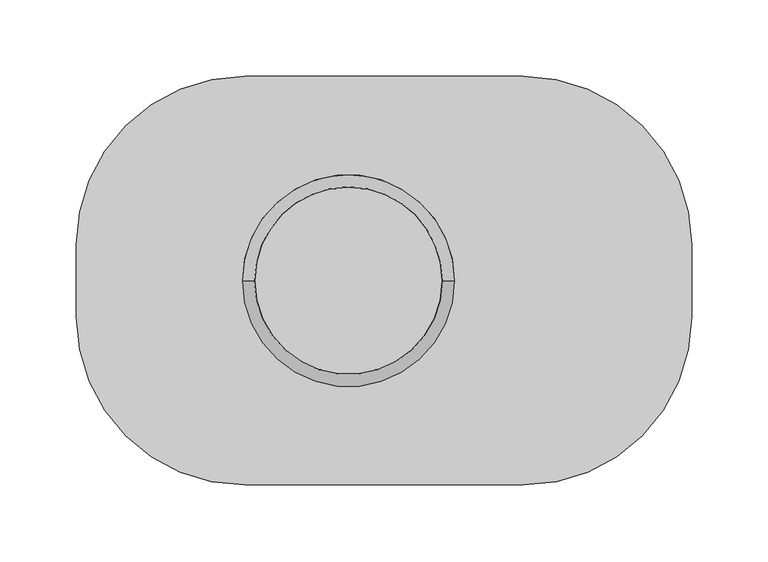
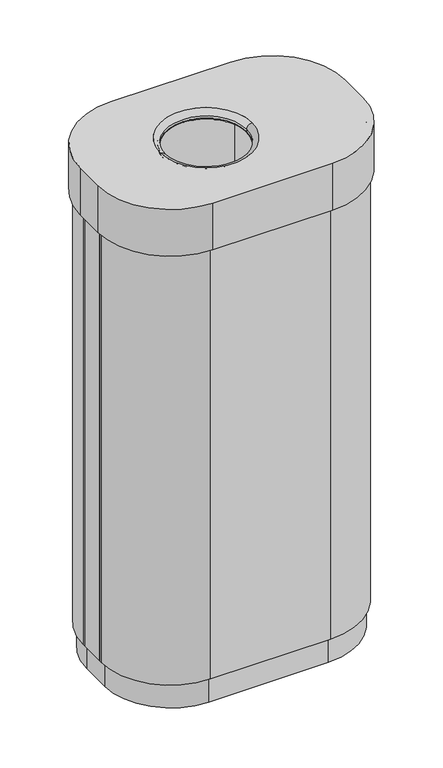
"""IFC4 building model written with IfcOpenShell, lengths in millimetres: furniture geometry."""

from ifc_helpers import new_model, si_unit, point, frame, frame_2d, origin, origin_with_axes, place, context, project, spatial, polyline, circle_curve, ellipse_curve, trimmed, segment, composite_curve, outline, extrude, source, transform, mapped, element, save
from ifc_brep_helpers import plane_surface, cylinder_surface, revolved_surface, advanced_brep


def furniture_427b8118(model_context):
    return source(origin(), model_context, "Body", "SolidModel", [
        advanced_brep(
        [(91.0, 133.5, 805.0), (-91.0, 133.5, 805.0), (-201.0, 23.5, 805.0), (-201.0, -23.5, 805.0), (-91.0, -133.5, 805.0), (91.0, -133.5, 805.0), (201.0, -23.5, 805.0), (201.0, 23.5, 805.0), (45.9831917, 0.0, 805.0), (-92.4831917, 0.0, 805.0), (91.0, 133.5, 730.0), (201.0, 23.5, 730.0), (201.0, -23.5, 730.0), (91.0, -133.5, 730.0), (-91.0, -133.5, 730.0), (-201.0, -23.5, 730.0), (-201.0, 23.5, 730.0), (-91.0, 133.5, 730.0), (-196.0, 20.0, 730.0), (-196.0, -20.0, 730.0), (-196.0, -23.5, 730.0), (-91.0, -128.5, 730.0), (91.0, -128.5, 730.0), (196.0, -23.5, 730.0), (196.0, 23.5, 730.0), (91.0, 128.5, 730.0), (-91.0, 128.5, 730.0), (-196.0, 23.5, 730.0), (-196.0, 20.0, 802.0), (-196.0, -20.0, 802.0), (91.0, 128.5, 40.0), (196.0, 23.5, 40.0), (196.0, -23.5, 40.0), (91.0, -128.5, 40.0), (-91.0, -128.5, 40.0), (-196.0, -23.5, 40.0), (-196.0, -20.0, 40.0), (-191.0, -20.0, 40.0), (-191.0, -23.5, 40.0), (-91.0, -123.5, 40.0), (91.0, -123.5, 40.0), (191.0, -23.5, 40.0), (191.0, 23.5, 40.0), (91.0, 123.5, 40.0), (-91.0, 123.5, 40.0), (-191.0, 23.5, 40.0), (-191.0, 20.0, 40.0), (-196.0, 20.0, 40.0), (-196.0, 23.5, 40.0), (-91.0, 128.5, 40.0), (91.0, 123.5, 802.0), (-91.0, 123.5, 802.0), (191.0, 23.5, 802.0), (191.0, -23.5, 802.0), (91.0, -123.5, 802.0), (-91.0, -123.5, 802.0), (-191.0, -23.5, 802.0), (-191.0, 23.5, 802.0), (-191.0, 20.0, 802.0), (-191.0, -20.0, 802.0), (-92.4831917, 0.0, 802.0), (45.9831917, 0.0, 802.0), (37.9831917, 0.0, 793.3712855), (-84.4831917, 0.0, 793.3712855), (-87.4751267, 0.0, 793.2159474), (40.9751267, 0.0, 793.2159474), (37.9831917, 0.0, 797.0), (-84.4831917, 0.0, 797.0), (40.9831917, 0.0, 797.0), (-87.4831917, 0.0, 797.0)],
        [
            (0, 1),
            (1, 2, circle_curve(frame((-91.0, 23.5, 805.0), z_axis=(0.0, 0.0, 1.0), x_axis=(-1.0, 0.0, 0.0)), 110.0)),
            (2, 3),
            (3, 4, circle_curve(frame((-91.0, -23.5, 805.0), z_axis=(0.0, 0.0, 1.0), x_axis=(-1.0, 0.0, 0.0)), 110.0)),
            (4, 5),
            (5, 6, circle_curve(frame((91.0, -23.5, 805.0), z_axis=(0.0, 0.0, 1.0), x_axis=(-1.0, 0.0, 0.0)), 110.0)),
            (6, 7),
            (7, 0, circle_curve(frame((91.0, 23.5, 805.0), z_axis=(0.0, 0.0, 1.0), x_axis=(-1.0, 0.0, 0.0)), 110.0)),
            (8, 9, circle_curve(frame((-23.25, 0.0, 805.0), z_axis=(0.0, 0.0, -1.0), x_axis=(1.0, 0.0, 0.0)), 69.2331917)),
            (9, 8, circle_curve(frame((-23.25, 0.0, 805.0), z_axis=(0.0, 0.0, -1.0), x_axis=(-1.0, 0.0, 0.0)), 69.2331917)),
            (10, 11, circle_curve(frame((91.0, 23.5, 730.0), z_axis=(0.0, 0.0, -1.0), x_axis=(-1.0, 0.0, 0.0)), 110.0)),
            (11, 12),
            (12, 13, circle_curve(frame((91.0, -23.5, 730.0), z_axis=(0.0, 0.0, -1.0), x_axis=(-1.0, 0.0, 0.0)), 110.0)),
            (13, 14),
            (14, 15, circle_curve(frame((-91.0, -23.5, 730.0), z_axis=(0.0, 0.0, -1.0), x_axis=(-1.0, 0.0, 0.0)), 110.0)),
            (15, 16),
            (16, 17, circle_curve(frame((-91.0, 23.5, 730.0), z_axis=(0.0, 0.0, -1.0), x_axis=(-1.0, 0.0, 0.0)), 110.0)),
            (17, 10),
            (18, 19),
            (19, 20),
            (20, 21, circle_curve(frame((-91.0, -23.5, 730.0), z_axis=(0.0, 0.0, 1.0), x_axis=(-1.0, 0.0, 0.0)), 105.0)),
            (21, 22),
            (22, 23, circle_curve(frame((91.0, -23.5, 730.0), z_axis=(0.0, 0.0, 1.0), x_axis=(-1.0, 0.0, 0.0)), 105.0)),
            (23, 24),
            (24, 25, circle_curve(frame((91.0, 23.5, 730.0), z_axis=(0.0, 0.0, 1.0), x_axis=(-1.0, 0.0, 0.0)), 105.0)),
            (25, 26),
            (26, 27, circle_curve(frame((-91.0, 23.5, 730.0), z_axis=(0.0, 0.0, 1.0), x_axis=(-1.0, 0.0, 0.0)), 105.0)),
            (27, 18),
            (18, 28),
            (28, 29),
            (29, 19),
            (0, 10),
            (17, 1),
            (16, 2),
            (15, 3),
            (14, 4),
            (13, 5),
            (12, 6),
            (11, 7),
            (30, 31, circle_curve(frame((91.0, 23.5, 40.0), z_axis=(0.0, 0.0, -1.0), x_axis=(-1.0, 0.0, 0.0)), 105.0)),
            (31, 32),
            (32, 33, circle_curve(frame((91.0, -23.5, 40.0), z_axis=(0.0, 0.0, -1.0), x_axis=(-1.0, 0.0, 0.0)), 105.0)),
            (33, 34),
            (34, 35, circle_curve(frame((-91.0, -23.5, 40.0), z_axis=(0.0, 0.0, -1.0), x_axis=(-1.0, 0.0, 0.0)), 105.0)),
            (35, 36),
            (36, 37),
            (37, 38),
            (38, 39, circle_curve(frame((-91.0, -23.5, 40.0), z_axis=(0.0, 0.0, 1.0), x_axis=(-1.0, 0.0, 0.0)), 100.0)),
            (39, 40),
            (40, 41, circle_curve(frame((91.0, -23.5, 40.0), z_axis=(0.0, 0.0, 1.0), x_axis=(-1.0, 0.0, 0.0)), 100.0)),
            (41, 42),
            (42, 43, circle_curve(frame((91.0, 23.5, 40.0), z_axis=(0.0, 0.0, 1.0), x_axis=(-1.0, 0.0, 0.0)), 100.0)),
            (43, 44),
            (44, 45, circle_curve(frame((-91.0, 23.5, 40.0), z_axis=(0.0, 0.0, 1.0), x_axis=(-1.0, 0.0, 0.0)), 100.0)),
            (45, 46),
            (46, 47),
            (47, 48),
            (48, 49, circle_curve(frame((-91.0, 23.5, 40.0), z_axis=(0.0, 0.0, -1.0), x_axis=(-1.0, 0.0, 0.0)), 105.0)),
            (49, 30),
            (49, 26),
            (25, 30),
            (33, 22),
            (21, 34),
            (43, 50),
            (50, 51),
            (51, 44),
            (48, 27),
            (35, 20),
            (19, 36),
            (32, 23),
            (31, 24),
            (42, 52),
            (52, 50, circle_curve(frame((91.0, 23.5, 802.0), z_axis=(0.0, 0.0, 1.0), x_axis=(-1.0, 0.0, 0.0)), 100.0)),
            (41, 53),
            (53, 52),
            (40, 54),
            (54, 53, circle_curve(frame((91.0, -23.5, 802.0), z_axis=(0.0, 0.0, 1.0), x_axis=(-1.0, 0.0, 0.0)), 100.0)),
            (39, 55),
            (55, 54),
            (38, 56),
            (56, 55, circle_curve(frame((-91.0, -23.5, 802.0), z_axis=(0.0, 0.0, 1.0), x_axis=(-1.0, 0.0, 0.0)), 100.0)),
            (45, 57),
            (57, 58),
            (58, 46),
            (51, 57, circle_curve(frame((-91.0, 23.5, 802.0), z_axis=(0.0, 0.0, 1.0), x_axis=(-1.0, 0.0, 0.0)), 100.0)),
            (47, 18),
            (58, 28),
            (37, 59),
            (59, 56),
            (29, 59),
            (60, 61, circle_curve(frame((-23.25, 0.0, 802.0), z_axis=(0.0, 0.0, 1.0), x_axis=(1.0, 0.0, 0.0)), 69.2331917)),
            (61, 60, circle_curve(frame((-23.25, 0.0, 802.0), z_axis=(0.0, 0.0, 1.0), x_axis=(-1.0, 0.0, 0.0)), 69.2331917)),
            (62, 63, circle_curve(frame((-23.25, 0.0, 793.3712855), z_axis=(0.0, 0.0, 1.0), x_axis=(-1.0, 0.0, 0.0)), 61.2331917)),
            (63, 64, circle_curve(frame((-85.9751267, 0.0, 793.2159474), z_axis=(0.0, 1.0, 0.0), x_axis=(-1.0, 0.0, 0.0)), 1.5)),
            (64, 65, circle_curve(frame((-23.25, 0.0, 793.2159474), z_axis=(0.0, 0.0, -1.0), x_axis=(-1.0, 0.0, 0.0)), 64.2251267)),
            (65, 62, circle_curve(frame((39.4751267, 0.0, 793.2159474), z_axis=(0.0, 1.0, 0.0), x_axis=(1.0, 0.0, 0.0)), 1.5)),
            (63, 62, circle_curve(frame((-23.25, 0.0, 793.3712855), z_axis=(0.0, 0.0, 1.0), x_axis=(1.0, 0.0, 0.0)), 61.2331917)),
            (65, 64, circle_curve(frame((-23.25, 0.0, 793.2159474), z_axis=(0.0, 0.0, -1.0), x_axis=(1.0, 0.0, 0.0)), 64.2251267)),
            (62, 66),
            (66, 67, circle_curve(frame((-23.25, 0.0, 797.0), z_axis=(0.0, 0.0, 1.0), x_axis=(-1.0, 0.0, 0.0)), 61.2331917)),
            (67, 63),
            (9, 67, circle_curve(frame((-92.4831917, 0.0, 797.0), z_axis=(0.0, 1.0, 0.0), x_axis=(-1.0, 0.0, 0.0)), 8.0)),
            (66, 8, circle_curve(frame((45.9831917, 0.0, 797.0), z_axis=(0.0, 1.0, 0.0), x_axis=(1.0, 0.0, 0.0)), 8.0)),
            (67, 66, circle_curve(frame((-23.25, 0.0, 797.0), z_axis=(0.0, 0.0, 1.0), x_axis=(1.0, 0.0, 0.0)), 61.2331917)),
            (61, 68, circle_curve(frame((45.9831917, 0.0, 797.0), z_axis=(0.0, -1.0, 0.0), x_axis=(1.0, 0.0, 0.0)), 5.0)),
            (68, 69, circle_curve(frame((-23.25, 0.0, 797.0), z_axis=(0.0, 0.0, 1.0), x_axis=(-1.0, 0.0, 0.0)), 64.2331917)),
            (69, 60, circle_curve(frame((-92.4831917, 0.0, 797.0), z_axis=(0.0, -1.0, 0.0), x_axis=(-1.0, 0.0, 0.0)), 5.0)),
            (64, 69),
            (68, 65),
            (69, 68, circle_curve(frame((-23.25, 0.0, 797.0), z_axis=(0.0, 0.0, 1.0), x_axis=(1.0, 0.0, 0.0)), 64.2331917)),
        ],
        [
            plane_surface(frame((-196.0, 23.5, 805.0), z_axis=(0.0, 0.0, 1.0), x_axis=(0.0, 1.0, 0.0))),
            plane_surface(frame((-196.0, 23.5, 730.0), z_axis=(0.0, 0.0, -1.0), x_axis=(0.0, -1.0, 0.0))),
            plane_surface(frame((-196.0, -23.5, 805.0), z_axis=(1.0, 0.0, 0.0), x_axis=(0.0, 0.0, -1.0))),
            plane_surface(frame((91.0, 133.5, 805.0), z_axis=(0.0, 1.0, 0.0), x_axis=(0.0, 0.0, -1.0))),
            cylinder_surface(frame((-91.0, 23.5, 805.0), z_axis=(0.0, 0.0, 1.0), x_axis=(-1.0, 0.0, 0.0)), 110.0),
            plane_surface(frame((-201.0, 23.5, 805.0), z_axis=(-1.0, 0.0, 0.0), x_axis=(0.0, 0.0, -1.0))),
            cylinder_surface(frame((-91.0, -23.5, 805.0), z_axis=(0.0, 0.0, 1.0), x_axis=(-1.0, 0.0, 0.0)), 110.0),
            plane_surface(frame((-91.0, -133.5, 805.0), z_axis=(0.0, -1.0, 0.0), x_axis=(0.0, 0.0, -1.0))),
            cylinder_surface(frame((91.0, -23.5, 805.0), z_axis=(0.0, 0.0, 1.0), x_axis=(-1.0, 0.0, 0.0)), 110.0),
            plane_surface(frame((201.0, -23.5, 805.0), z_axis=(1.0, 0.0, 0.0), x_axis=(0.0, 0.0, -1.0))),
            cylinder_surface(frame((91.0, 23.5, 805.0), z_axis=(0.0, 0.0, 1.0), x_axis=(-1.0, 0.0, 0.0)), 110.0),
            plane_surface(frame((-93.5, 128.5, 40.0), z_axis=(0.0, 0.0, -1.0), x_axis=(1.0, 0.0, 0.0))),
            plane_surface(frame((91.0, 128.5, 802.0), z_axis=(0.0, 1.0, 0.0), x_axis=(0.0, 0.0, -1.0))),
            plane_surface(frame((-91.0, -128.5, 802.0), z_axis=(0.0, -1.0, 0.0), x_axis=(0.0, 0.0, -1.0))),
            plane_surface(frame((-91.0, 123.5, 802.0), z_axis=(0.0, -1.0, 0.0), x_axis=(0.0, 0.0, -1.0))),
            cylinder_surface(frame((-91.0, 23.5, 40.0), z_axis=(0.0, 0.0, 1.0), x_axis=(-1.0, 0.0, 0.0)), 105.0),
            plane_surface(frame((-196.0, -20.0, 802.0), z_axis=(-1.0, 0.0, 0.0), x_axis=(0.0, 0.0, -1.0))),
            cylinder_surface(frame((-91.0, -23.5, 40.0), z_axis=(0.0, 0.0, 1.0), x_axis=(-1.0, 0.0, 0.0)), 105.0),
            cylinder_surface(frame((91.0, -23.5, 40.0), z_axis=(0.0, 0.0, 1.0), x_axis=(-1.0, 0.0, 0.0)), 105.0),
            plane_surface(frame((196.0, -23.5, 802.0), z_axis=(1.0, 0.0, 0.0), x_axis=(0.0, 0.0, -1.0))),
            cylinder_surface(frame((91.0, 23.5, 40.0), z_axis=(0.0, 0.0, 1.0), x_axis=(-1.0, 0.0, 0.0)), 105.0),
            revolved_surface(polyline([(-9.0, 23.5, 40.0), (-9.0, 23.5, 802.0)]), (91.0, 23.5, 40.0), (0.0, 0.0, -1.0)),
            plane_surface(frame((191.0, 23.5, 802.0), z_axis=(-1.0, 0.0, 0.0), x_axis=(0.0, 0.0, -1.0))),
            revolved_surface(polyline([(-9.0, -23.5, 40.0), (-9.0, -23.5, 802.0)]), (91.0, -23.5, 40.0), (0.0, 0.0, -1.0)),
            plane_surface(frame((91.0, -123.5, 802.0), z_axis=(0.0, 1.0, 0.0), x_axis=(0.0, 0.0, -1.0))),
            revolved_surface(polyline([(-191.0, -23.5, 40.0), (-191.0, -23.5, 802.0)]), (-91.0, -23.5, 40.0), (0.0, 0.0, -1.0)),
            plane_surface(frame((-191.0, 20.0, 802.0), z_axis=(1.0, 0.0, 0.0), x_axis=(0.0, 0.0, -1.0))),
            revolved_surface(polyline([(-191.0, 23.5, 40.0), (-191.0, 23.5, 802.0)]), (-91.0, 23.5, 40.0), (0.0, 0.0, -1.0)),
            plane_surface(frame((-196.0, 23.5, 802.0), z_axis=(-1.0, 0.0, 0.0), x_axis=(0.0, 0.0, -1.0))),
            plane_surface(frame((-196.0, 20.0, 802.0), z_axis=(0.0, -1.0, 0.0), x_axis=(0.0, 0.0, -1.0))),
            plane_surface(frame((-191.0, -23.5, 802.0), z_axis=(1.0, 0.0, 0.0), x_axis=(0.0, 0.0, -1.0))),
            plane_surface(frame((-191.0, -20.0, 802.0), z_axis=(0.0, 1.0, 0.0), x_axis=(0.0, 0.0, -1.0))),
            plane_surface(frame((-196.0, 23.5, 802.0), z_axis=(0.0, 0.0, -1.0), x_axis=(0.0, 1.0, 0.0))),
            revolved_surface(trimmed(ellipse_curve(frame((-85.9751267, 0.0, 793.2159474), z_axis=(0.0, -1.0, 0.0), x_axis=(-1.0, 0.0, 0.0)), 1.5, 1.5), [point((-87.4751267, 0.0, 793.2159474))], [point((-84.4831917, 0.0, 793.3712855))], True, "CARTESIAN"), (-23.25, 0.0, 805.0), (0.0, 0.0, -1.0)),
            revolved_surface(trimmed(ellipse_curve(frame((39.4751267, 0.0, 793.2159474), z_axis=(0.0, 1.0, 0.0), x_axis=(1.0, 0.0, 0.0)), 1.5, 1.5), [point((40.9751267, 0.0, 793.2159474))], [point((37.9831917, 0.0, 793.3712855))], True, "CARTESIAN"), (-23.25, 0.0, 805.0), (0.0, 0.0, -1.0)),
            revolved_surface(polyline([(-84.48319169999999, 0.0, 793.3712855), (-84.48319169999999, 0.0, 797.0)]), (-23.25, 0.0, 805.0), (0.0, 0.0, -1.0)),
            revolved_surface(trimmed(ellipse_curve(frame((-92.4831917, 0.0, 797.0), z_axis=(0.0, -1.0, 0.0), x_axis=(-1.0, 0.0, 0.0)), 8.0, 8.0), [point((-84.4831917, 0.0, 797.0))], [point((-92.4831917, 0.0, 805.0))], True, "CARTESIAN"), (-23.25, 0.0, 805.0), (0.0, 0.0, -1.0)),
            revolved_surface(polyline([(37.9831917, 0.0, 793.3712855), (37.9831917, 0.0, 797.0)]), (-23.25, 0.0, 805.0), (0.0, 0.0, -1.0)),
            revolved_surface(trimmed(ellipse_curve(frame((45.9831917, 0.0, 797.0), z_axis=(0.0, 1.0, 0.0), x_axis=(1.0, 0.0, 0.0)), 8.0, 8.0), [point((37.9831917, 0.0, 797.0))], [point((45.9831917, 0.0, 805.0))], True, "CARTESIAN"), (-23.25, 0.0, 805.0), (0.0, 0.0, -1.0)),
            revolved_surface(trimmed(ellipse_curve(frame((-92.4831917, 0.0, 797.0), z_axis=(0.0, 1.0, 0.0), x_axis=(-1.0, 0.0, 0.0)), 5.0, 5.0), [point((-92.4831917, 0.0, 802.0))], [point((-87.4831917, 0.0, 797.0))], True, "CARTESIAN"), (-23.25, 0.0, 805.0), (0.0, 0.0, -1.0)),
            cylinder_surface(frame((-23.25, 0.0, 805.0), z_axis=(0.0, 0.0, -1.0), x_axis=(-1.0, 0.0, 0.0)), 64.2331917),
            revolved_surface(trimmed(ellipse_curve(frame((45.9831917, 0.0, 797.0), z_axis=(0.0, -1.0, 0.0), x_axis=(1.0, 0.0, 0.0)), 5.0, 5.0), [point((45.9831917, 0.0, 802.0))], [point((40.9831917, 0.0, 797.0))], True, "CARTESIAN"), (-23.25, 0.0, 805.0), (0.0, 0.0, -1.0)),
            cylinder_surface(frame((-23.25, 0.0, 805.0), z_axis=(0.0, 0.0, -1.0), x_axis=(1.0, 0.0, 0.0)), 64.2331917),
        ],
        [
            (0, [[1, 2, 3, 4, 5, 6, 7, 8], [9, 10]]),
            (1, [[11, 12, 13, 14, 15, 16, 17, 18], [19, 20, 21, 22, 23, 24, 25, 26, 27, 28]]),
            (2, [[-19, 29, 30, 31]]),
            (3, [[-1, 32, -18, 33]]),
            (4, [[-2, -33, -17, 34]]),
            (5, [[-3, -34, -16, 35]]),
            (6, [[-4, -35, -15, 36]]),
            (7, [[-5, -36, -14, 37]]),
            (8, [[-6, -37, -13, 38]]),
            (9, [[-7, -38, -12, 39]]),
            (10, [[-8, -39, -11, -32]]),
            (11, [[40, 41, 42, 43, 44, 45, 46, 47, 48, 49, 50, 51, 52, 53, 54, 55, 56, 57, 58, 59]]),
            (12, [[-59, 60, -26, 61]]),
            (13, [[-43, 62, -22, 63]]),
            (14, [[-53, 64, 65, 66]]),
            (15, [[-58, 67, -27, -60]]),
            (16, [[-45, 68, -20, 69]]),
            (17, [[-44, -63, -21, -68]]),
            (18, [[-42, 70, -23, -62]]),
            (19, [[-41, 71, -24, -70]]),
            (20, [[-40, -61, -25, -71]]),
            (21, [[-52, 72, 73, -64]]),
            (22, [[-51, 74, 75, -72]]),
            (23, [[-50, 76, 77, -74]]),
            (24, [[-49, 78, 79, -76]]),
            (25, [[-48, 80, 81, -78]]),
            (26, [[-55, 82, 83, 84]]),
            (27, [[-54, -66, 85, -82]]),
            (28, [[-57, 86, -28, -67]]),
            (29, [[-56, -84, 87, -29, -86]]),
            (30, [[-47, 88, 89, -80]]),
            (31, [[-46, -69, -31, 90, -88]]),
            (32, [[-30, -87, -83, -85, -65, -73, -75, -77, -79, -81, -89, -90], [91, 92]]),
            (33, [[93, 94, 95, 96]]),
            (34, [[-94, 97, -96, 98]]),
            (35, [[-93, 99, 100, 101]]),
            (36, [[-10, 102, -100, 103]]),
            (37, [[-97, -101, 104, -99]]),
            (38, [[-9, -103, -104, -102]]),
            (39, [[-92, 105, 106, 107]]),
            (40, [[-95, 108, -106, 109]]),
            (41, [[-91, -107, 110, -105]]),
            (42, [[-98, -109, -110, -108]]),
        ],
    ),
        extrude(outline(polyline([(-191.0, 20.0), (-191.0, -20.0), (-196.0, -20.0), (-196.0, 20.0), (-191.0, 20.0)])), frame((0.0, 0.0, 40.0), z_axis=(0.0, 0.0, 1.0), x_axis=(1.0, 0.0, 0.0)), (0.0, 0.0, 1.0), 762.0),
        extrude(outline(composite_curve([segment(polyline([(91.0, -123.5), (-91.0, -123.5)]), True, "CONTINUOUS"), segment(trimmed(circle_curve(frame_2d((-91.0, -23.5)), 100.0), [point((-91.0, -123.5))], [point((-191.0, -23.5))], False, "CARTESIAN"), True, "CONTINUOUS"), segment(polyline([(-191.0, -23.5), (-191.0, 23.5)]), True, "CONTINUOUS"), segment(trimmed(circle_curve(frame_2d((-91.0, 23.5)), 100.0), [point((-191.0, 23.5))], [point((-91.0, 123.5))], False, "CARTESIAN"), True, "CONTINUOUS"), segment(polyline([(-91.0, 123.5), (91.0, 123.5)]), True, "CONTINUOUS"), segment(trimmed(circle_curve(frame_2d((91.0, 23.5)), 100.0), [point((91.0, 123.5))], [point((191.0, 23.5))], False, "CARTESIAN"), True, "CONTINUOUS"), segment(polyline([(191.0, 23.5), (191.0, -23.5)]), True, "CONTINUOUS"), segment(trimmed(circle_curve(frame_2d((91.0, -23.5)), 100.0), [point((191.0, -23.5))], [point((91.0, -123.5))], False, "CARTESIAN"), True, "CONTINUOUS")], self_intersect=False)), origin_with_axes(), (0.0, 0.0, 1.0), 40.0),
    ])


if __name__ == "__main__":
    model = new_model("IFC4")
    model_context = context("Model", 3, world=origin())
    ifc_project = project(units=[si_unit("LENGTHUNIT", "METRE", prefix="MILLI")], contexts=[model_context])
    site = spatial("IfcSite", under=ifc_project)
    building = spatial("IfcBuilding", under=site)
    placement = place(None, origin())
    furniture_shape = furniture_427b8118(model_context)
    element("IfcFurniture", 1, at=placement, inside=building, context=model_context, shape_type="MappedRepresentation", body=[
        mapped(furniture_shape, transform((0.0, 0.0, 0.0), x_axis=(1.0, 0.0, 0.0), y_axis=(0.0, 1.0, 0.0), z_axis=(0.0, 0.0, 1.0))),
    ])
    save(model, "model.ifc")
